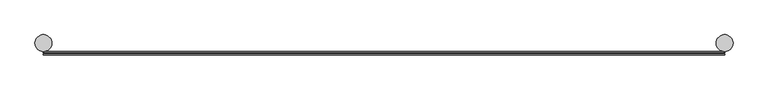
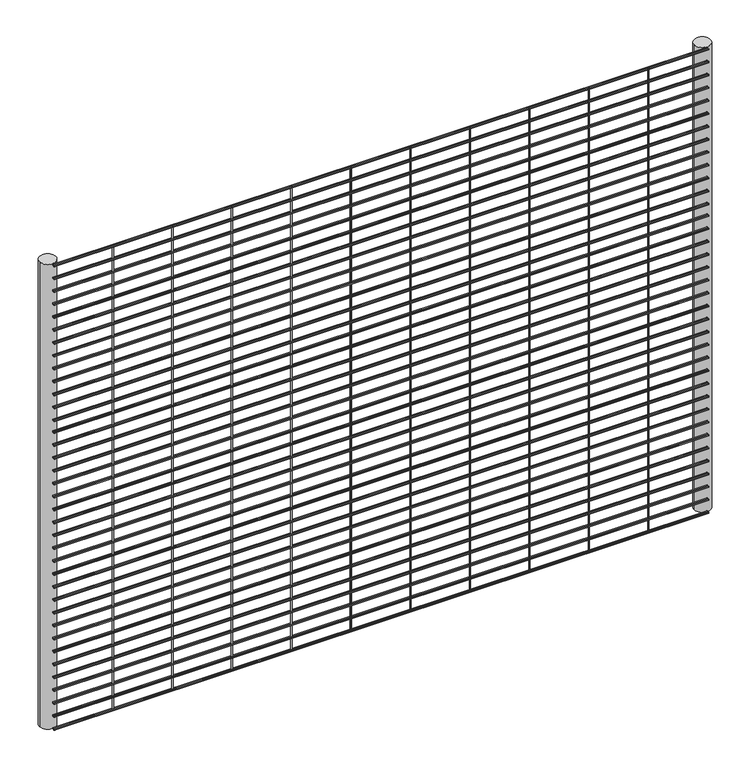
"""IFC4 building model written with IfcOpenShell, lengths in millimetres: railing geometry."""

import ifcopenshell
import ifcopenshell.guid

model = None  # the IFC model being written
_history = None  # IfcOwnerHistory: only IFC2X3 demands one
_inside = {}  # id of a spatial element -> (the spatial element, [elements in it])
_under = {}  # id of a project, library or spatial element -> (it, [spatial elements below it])
_declared = {}  # id of a project -> (the project, [libraries it declares])
_typed = {}  # id of a type object -> (the type object, [elements of that type])
_made_of = {}  # id of a material, layer set ... -> (it, [elements and type objects made of it])


def new_model(schema):
    """Start an empty IFC model of exactly this schema.

    Asked for "IFC4X3", IfcOpenShell would pick the latest addendum, in which some entities
    have other attributes; the version numbers below select the first issue.
    IFC2X3 requires an IfcOwnerHistory on every rooted entity: one is made here for all.
    """
    global model, _history
    if schema == "IFC4X3":
        model = ifcopenshell.file(schema_version=(4, 3, 0, 0))
    else:
        model = ifcopenshell.file(schema=schema)
    _inside.clear()
    _under.clear()
    _declared.clear()
    _typed.clear()
    _made_of.clear()
    _history = None
    if model.schema == "IFC2X3":
        org = make("IfcOrganization", Name="unknown")
        user = make(
            "IfcPersonAndOrganization",
            ThePerson=make("IfcPerson", FamilyName="unknown"),
            TheOrganization=org,
        )
        app = make(
            "IfcApplication",
            ApplicationDeveloper=org,
            Version="unknown",
            ApplicationFullName="unknown",
            ApplicationIdentifier="unknown",
        )
        _history = make(
            "IfcOwnerHistory",
            OwningUser=user,
            OwningApplication=app,
            ChangeAction="ADDED",
            CreationDate=0,
        )
    return model


def make(cls, **values):
    """One entity of the class cls with the attributes given. An attribute that is None is left unset."""
    return model.create_entity(
        cls, **{name: value for name, value in values.items() if value is not None}
    )


def rooted(cls, **values):
    """An entity with a GlobalId (a new one), such as an element, a storey or a relation."""
    return make(cls, GlobalId=ifcopenshell.guid.new(), OwnerHistory=_history, **values)


def si_unit(unit_type, name, prefix=None):
    """IfcSIUnit, for example si_unit("LENGTHUNIT", "METRE", prefix="MILLI")."""
    return make("IfcSIUnit", UnitType=unit_type, Prefix=prefix, Name=name)


def assignment(units):
    """IfcUnitAssignment: the units of a project."""
    return None if units is None else make("IfcUnitAssignment", Units=units)


def point(xyz):
    """IfcCartesianPoint."""
    return None if xyz is None else make("IfcCartesianPoint", Coordinates=xyz)


def direction(xyz):
    """IfcDirection."""
    return None if xyz is None else make("IfcDirection", DirectionRatios=xyz)


def frame(location, z_axis=None, x_axis=None):
    """IfcAxis2Placement3D, a coordinate frame: its origin and axes. An axis left out is left unset."""
    return make(
        "IfcAxis2Placement3D",
        Location=point(location),
        Axis=direction(z_axis),
        RefDirection=direction(x_axis),
    )


def frame_2d(location, x_axis=None):
    """IfcAxis2Placement2D, a coordinate frame in the plane: its origin and x axis."""
    return make(
        "IfcAxis2Placement2D", Location=point(location), RefDirection=direction(x_axis)
    )


def origin():
    """The frame at (0, 0, 0) with its axes left unset."""
    return frame((0.0, 0.0, 0.0))


def place(relative_to, where):
    """IfcLocalPlacement: puts the frame where relative to a parent placement (None: the world)."""
    return make(
        "IfcLocalPlacement", PlacementRelTo=relative_to, RelativePlacement=where
    )


def context(
    kind, dimensions, precision=None, world=None, true_north=None, identifier=None
):
    """IfcGeometricRepresentationContext, for example the 3D "Model" context."""
    return make(
        "IfcGeometricRepresentationContext",
        ContextIdentifier=identifier,
        ContextType=kind,
        CoordinateSpaceDimension=dimensions,
        Precision=precision,
        WorldCoordinateSystem=world,
        TrueNorth=true_north,
    )


def project(units=None, contexts=None):
    """IfcProject with its units and contexts."""
    return rooted(
        "IfcProject",
        Name="project",
        RepresentationContexts=contexts,
        UnitsInContext=assignment(units),
    )


def spatial(cls, under=None, at=None, **own):
    """A site, building, storey or space (cls), placed at a placement, below another one or the project."""
    s = rooted(cls, ObjectPlacement=at, **own)
    if under is not None:
        _under.setdefault(under.id(), (under, []))[1].append(s)
    return s


def circle_curve(where, radius):
    """IfcCircle in the frame where."""
    return make("IfcCircle", Position=where, Radius=radius)


def trimmed(basis, trim1, trim2, sense, master):
    """IfcTrimmedCurve: the piece of a basis curve between two trims."""
    return make(
        "IfcTrimmedCurve",
        BasisCurve=basis,
        Trim1=trim1,
        Trim2=trim2,
        SenseAgreement=sense,
        MasterRepresentation=master,
    )


def segment(curve, same_sense, transition):
    """IfcCompositeCurveSegment."""
    return make(
        "IfcCompositeCurveSegment",
        Transition=transition,
        SameSense=same_sense,
        ParentCurve=curve,
    )


def composite_curve(segments, self_intersect=None):
    """IfcCompositeCurve: segments joined end to end."""
    return make("IfcCompositeCurve", Segments=segments, SelfIntersect=self_intersect)


def outline(outer, holes=None, kind="AREA"):
    """IfcArbitraryClosedProfileDef: a profile drawn as a closed curve; with holes, ...WithVoids."""
    if holes is None:
        return make("IfcArbitraryClosedProfileDef", ProfileType=kind, OuterCurve=outer)
    return make(
        "IfcArbitraryProfileDefWithVoids",
        ProfileType=kind,
        OuterCurve=outer,
        InnerCurves=holes,
    )


def extrude(swept, where, along, depth):
    """IfcExtrudedAreaSolid: the profile swept, set in the frame where, extruded along a direction by depth."""
    return make(
        "IfcExtrudedAreaSolid",
        SweptArea=swept,
        Position=where,
        ExtrudedDirection=direction(along),
        Depth=depth,
    )


def shape(context_of_items, identifier, shape_type, items):
    """IfcShapeRepresentation: the items that make up one representation, for example the "Body"."""
    return make(
        "IfcShapeRepresentation",
        ContextOfItems=context_of_items,
        RepresentationIdentifier=identifier,
        RepresentationType=shape_type,
        Items=items,
    )


def source(mapping_origin, context_of_items, identifier, shape_type, items):
    """IfcRepresentationMap: a shape defined once, which mapped items show again and again."""
    return make(
        "IfcRepresentationMap",
        MappingOrigin=mapping_origin,
        MappedRepresentation=shape(context_of_items, identifier, shape_type, items),
    )


def transform(
    local_origin,
    x_axis=None,
    y_axis=None,
    z_axis=None,
    scale=None,
    scale2=None,
    scale3=None,
    uniform=True,
):
    """IfcCartesianTransformationOperator3D, or its non-uniform kind. x_axis, y_axis, z_axis: its Axis1, 2, 3."""
    if uniform:
        return make(
            "IfcCartesianTransformationOperator3D",
            Axis1=direction(x_axis),
            Axis2=direction(y_axis),
            LocalOrigin=point(local_origin),
            Scale=scale,
            Axis3=direction(z_axis),
        )
    return make(
        "IfcCartesianTransformationOperator3DnonUniform",
        Axis1=direction(x_axis),
        Axis2=direction(y_axis),
        LocalOrigin=point(local_origin),
        Scale=scale,
        Axis3=direction(z_axis),
        Scale2=scale2,
        Scale3=scale3,
    )


def mapped(mapping_source, mapping_target):
    """IfcMappedItem: shows the shape of a source again, moved by a transform."""
    return make(
        "IfcMappedItem", MappingSource=mapping_source, MappingTarget=mapping_target
    )


def made_of(thing, what):
    """Note that an element or type object is made of a material, layer set ...; save() writes the relation."""
    if what is not None:
        _made_of.setdefault(what.id(), (what, []))[1].append(thing)
    return thing


def element(
    cls,
    number,
    at=None,
    inside=None,
    cuts=None,
    type_object=None,
    material=None,
    context=None,
    identifier="Body",
    shape_type=None,
    held_by="IfcProductDefinitionShape",
    body=None,
    shapes=None,
    **own,
):
    """One element of the class cls, such as IfcWall. Its Tag is "e" and its number.

    at: its placement. inside: the storey or other place that contains it. cuts: it is an
    opening in that element (IfcRelVoidsElement). A single representation is given by context,
    identifier, shape_type and body (its items); several are given by shapes. held_by: the class
    of the entity that holds the representations. save() writes the other relations.
    """
    e = rooted(cls, Tag="e%d" % number, ObjectPlacement=at, **own)
    if body is not None:
        shapes = [shape(context, identifier, shape_type, body)]
    if shapes is not None:
        e.Representation = make(held_by, Representations=shapes)
    if inside is not None:
        _inside.setdefault(inside.id(), (inside, []))[1].append(e)
    if cuts is not None:
        rooted(
            "IfcRelVoidsElement", RelatingBuildingElement=cuts, RelatedOpeningElement=e
        )
    if type_object is not None:
        _typed.setdefault(type_object.id(), (type_object, []))[1].append(e)
    return made_of(e, material)


def aggregate(whole, parts):
    """IfcRelAggregates: a whole, such as a stair, and the parts it consists of."""
    return rooted("IfcRelAggregates", RelatingObject=whole, RelatedObjects=parts)


def save(model, path):
    """Write the relations noted so far, then the file.

    IfcRelAggregates (storeys below a building ...), IfcRelContainedInSpatialStructure (elements
    in a storey), IfcRelDefinesByType, IfcRelAssociatesMaterial and IfcRelDeclares: one each for
    every whole, place, type object, material and project.
    """
    for whole, parts in _under.values():
        aggregate(whole, parts)
    for where, things in _inside.values():
        rooted(
            "IfcRelContainedInSpatialStructure",
            RelatedElements=things,
            RelatingStructure=where,
        )
    for kind, things in _typed.values():
        rooted("IfcRelDefinesByType", RelatedObjects=things, RelatingType=kind)
    for what, things in _made_of.values():
        rooted("IfcRelAssociatesMaterial", RelatedObjects=things, RelatingMaterial=what)
    for by, libraries in _declared.values():
        rooted("IfcRelDeclares", RelatingContext=by, RelatedDefinitions=libraries)
    model.write(path)


def railing_45948265(model_context):
    return source(origin(), model_context, "Body", "SweptSolid", [
        extrude(outline(composite_curve([segment(trimmed(circle_curve(frame_2d((5969.595995, 9446.41875)), 2.0574), [point((5971.653395, 9446.41875))], [point((5967.538595, 9446.41875))], False, "CARTESIAN"), True, "CONTINUOUS"), segment(trimmed(circle_curve(frame_2d((5969.595995, 9446.41875)), 2.0574), [point((5967.538595, 9446.41875))], [point((5971.653395, 9446.41875))], False, "CARTESIAN"), True, "CONTINUOUS")], self_intersect=False)), frame((-5189.4581376, 0.0, 0.0), z_axis=(1.0, 0.0, 0.0), x_axis=(0.0, 1.0, 0.0)), (0.0, 0.0, 1.0), 2438.4),
        extrude(outline(composite_curve([segment(trimmed(circle_curve(frame_2d((5969.595995, 9395.61875)), 2.0574), [point((5971.653395, 9395.61875))], [point((5967.538595, 9395.61875))], False, "CARTESIAN"), True, "CONTINUOUS"), segment(trimmed(circle_curve(frame_2d((5969.595995, 9395.61875)), 2.0574), [point((5967.538595, 9395.61875))], [point((5971.653395, 9395.61875))], False, "CARTESIAN"), True, "CONTINUOUS")], self_intersect=False)), frame((-5189.4581376, 0.0, 0.0), z_axis=(1.0, 0.0, 0.0), x_axis=(0.0, 1.0, 0.0)), (0.0, 0.0, 1.0), 2438.4),
        extrude(outline(composite_curve([segment(trimmed(circle_curve(frame_2d((5969.595995, 9344.81875)), 2.0574), [point((5971.653395, 9344.81875))], [point((5967.538595, 9344.81875))], False, "CARTESIAN"), True, "CONTINUOUS"), segment(trimmed(circle_curve(frame_2d((5969.595995, 9344.81875)), 2.0574), [point((5967.538595, 9344.81875))], [point((5971.653395, 9344.81875))], False, "CARTESIAN"), True, "CONTINUOUS")], self_intersect=False)), frame((-5189.4581376, 0.0, 0.0), z_axis=(1.0, 0.0, 0.0), x_axis=(0.0, 1.0, 0.0)), (0.0, 0.0, 1.0), 2438.4),
        extrude(outline(composite_curve([segment(trimmed(circle_curve(frame_2d((5969.595995, 9294.01875)), 2.0574), [point((5971.653395, 9294.01875))], [point((5967.538595, 9294.01875))], False, "CARTESIAN"), True, "CONTINUOUS"), segment(trimmed(circle_curve(frame_2d((5969.595995, 9294.01875)), 2.0574), [point((5967.538595, 9294.01875))], [point((5971.653395, 9294.01875))], False, "CARTESIAN"), True, "CONTINUOUS")], self_intersect=False)), frame((-5189.4581376, 0.0, 0.0), z_axis=(1.0, 0.0, 0.0), x_axis=(0.0, 1.0, 0.0)), (0.0, 0.0, 1.0), 2438.4),
        extrude(outline(composite_curve([segment(trimmed(circle_curve(frame_2d((5969.595995, 9243.21875)), 2.0574), [point((5971.653395, 9243.21875))], [point((5967.538595, 9243.21875))], False, "CARTESIAN"), True, "CONTINUOUS"), segment(trimmed(circle_curve(frame_2d((5969.595995, 9243.21875)), 2.0574), [point((5967.538595, 9243.21875))], [point((5971.653395, 9243.21875))], False, "CARTESIAN"), True, "CONTINUOUS")], self_intersect=False)), frame((-5189.4581376, 0.0, 0.0), z_axis=(1.0, 0.0, 0.0), x_axis=(0.0, 1.0, 0.0)), (0.0, 0.0, 1.0), 2438.4),
        extrude(outline(composite_curve([segment(trimmed(circle_curve(frame_2d((5969.595995, 9192.41875)), 2.0574), [point((5971.653395, 9192.41875))], [point((5967.538595, 9192.41875))], False, "CARTESIAN"), True, "CONTINUOUS"), segment(trimmed(circle_curve(frame_2d((5969.595995, 9192.41875)), 2.0574), [point((5967.538595, 9192.41875))], [point((5971.653395, 9192.41875))], False, "CARTESIAN"), True, "CONTINUOUS")], self_intersect=False)), frame((-5189.4581376, 0.0, 0.0), z_axis=(1.0, 0.0, 0.0), x_axis=(0.0, 1.0, 0.0)), (0.0, 0.0, 1.0), 2438.4),
        extrude(outline(composite_curve([segment(trimmed(circle_curve(frame_2d((5969.595995, 9141.61875)), 2.0574), [point((5971.653395, 9141.61875))], [point((5967.538595, 9141.61875))], False, "CARTESIAN"), True, "CONTINUOUS"), segment(trimmed(circle_curve(frame_2d((5969.595995, 9141.61875)), 2.0574), [point((5967.538595, 9141.61875))], [point((5971.653395, 9141.61875))], False, "CARTESIAN"), True, "CONTINUOUS")], self_intersect=False)), frame((-5189.4581376, 0.0, 0.0), z_axis=(1.0, 0.0, 0.0), x_axis=(0.0, 1.0, 0.0)), (0.0, 0.0, 1.0), 2438.4),
        extrude(outline(composite_curve([segment(trimmed(circle_curve(frame_2d((5969.595995, 9090.81875)), 2.0574), [point((5971.653395, 9090.81875))], [point((5967.538595, 9090.81875))], False, "CARTESIAN"), True, "CONTINUOUS"), segment(trimmed(circle_curve(frame_2d((5969.595995, 9090.81875)), 2.0574), [point((5967.538595, 9090.81875))], [point((5971.653395, 9090.81875))], False, "CARTESIAN"), True, "CONTINUOUS")], self_intersect=False)), frame((-5189.4581376, 0.0, 0.0), z_axis=(1.0, 0.0, 0.0), x_axis=(0.0, 1.0, 0.0)), (0.0, 0.0, 1.0), 2438.4),
        extrude(outline(composite_curve([segment(trimmed(circle_curve(frame_2d((5969.595995, 9040.01875)), 2.0574), [point((5971.653395, 9040.01875))], [point((5967.538595, 9040.01875))], False, "CARTESIAN"), True, "CONTINUOUS"), segment(trimmed(circle_curve(frame_2d((5969.595995, 9040.01875)), 2.0574), [point((5967.538595, 9040.01875))], [point((5971.653395, 9040.01875))], False, "CARTESIAN"), True, "CONTINUOUS")], self_intersect=False)), frame((-5189.4581376, 0.0, 0.0), z_axis=(1.0, 0.0, 0.0), x_axis=(0.0, 1.0, 0.0)), (0.0, 0.0, 1.0), 2438.4),
        extrude(outline(composite_curve([segment(trimmed(circle_curve(frame_2d((5969.595995, 8989.21875)), 2.0574), [point((5971.653395, 8989.21875))], [point((5967.538595, 8989.21875))], False, "CARTESIAN"), True, "CONTINUOUS"), segment(trimmed(circle_curve(frame_2d((5969.595995, 8989.21875)), 2.0574), [point((5967.538595, 8989.21875))], [point((5971.653395, 8989.21875))], False, "CARTESIAN"), True, "CONTINUOUS")], self_intersect=False)), frame((-5189.4581376, 0.0, 0.0), z_axis=(1.0, 0.0, 0.0), x_axis=(0.0, 1.0, 0.0)), (0.0, 0.0, 1.0), 2438.4),
        extrude(outline(composite_curve([segment(trimmed(circle_curve(frame_2d((5969.595995, 8938.41875)), 2.0574), [point((5971.653395, 8938.41875))], [point((5967.538595, 8938.41875))], False, "CARTESIAN"), True, "CONTINUOUS"), segment(trimmed(circle_curve(frame_2d((5969.595995, 8938.41875)), 2.0574), [point((5967.538595, 8938.41875))], [point((5971.653395, 8938.41875))], False, "CARTESIAN"), True, "CONTINUOUS")], self_intersect=False)), frame((-5189.4581376, 0.0, 0.0), z_axis=(1.0, 0.0, 0.0), x_axis=(0.0, 1.0, 0.0)), (0.0, 0.0, 1.0), 2438.4),
        extrude(outline(composite_curve([segment(trimmed(circle_curve(frame_2d((5969.595995, 8887.61875)), 2.0574), [point((5971.653395, 8887.61875))], [point((5967.538595, 8887.61875))], False, "CARTESIAN"), True, "CONTINUOUS"), segment(trimmed(circle_curve(frame_2d((5969.595995, 8887.61875)), 2.0574), [point((5967.538595, 8887.61875))], [point((5971.653395, 8887.61875))], False, "CARTESIAN"), True, "CONTINUOUS")], self_intersect=False)), frame((-5189.4581376, 0.0, 0.0), z_axis=(1.0, 0.0, 0.0), x_axis=(0.0, 1.0, 0.0)), (0.0, 0.0, 1.0), 2438.4),
        extrude(outline(composite_curve([segment(trimmed(circle_curve(frame_2d((5969.595995, 8836.81875)), 2.0574), [point((5971.653395, 8836.81875))], [point((5967.538595, 8836.81875))], False, "CARTESIAN"), True, "CONTINUOUS"), segment(trimmed(circle_curve(frame_2d((5969.595995, 8836.81875)), 2.0574), [point((5967.538595, 8836.81875))], [point((5971.653395, 8836.81875))], False, "CARTESIAN"), True, "CONTINUOUS")], self_intersect=False)), frame((-5189.4581376, 0.0, 0.0), z_axis=(1.0, 0.0, 0.0), x_axis=(0.0, 1.0, 0.0)), (0.0, 0.0, 1.0), 2438.4),
        extrude(outline(composite_curve([segment(trimmed(circle_curve(frame_2d((5977.7319325, 9446.41875)), 2.0574), [point((5979.7893325, 9446.41875))], [point((5975.6745325, 9446.41875))], False, "CARTESIAN"), True, "CONTINUOUS"), segment(trimmed(circle_curve(frame_2d((5977.7319325, 9446.41875)), 2.0574), [point((5975.6745325, 9446.41875))], [point((5979.7893325, 9446.41875))], False, "CARTESIAN"), True, "CONTINUOUS")], self_intersect=False)), frame((-5189.4581376, 0.0, 0.0), z_axis=(1.0, 0.0, 0.0), x_axis=(0.0, 1.0, 0.0)), (0.0, 0.0, 1.0), 2438.4),
        extrude(outline(composite_curve([segment(trimmed(circle_curve(frame_2d((5977.7319325, 9395.61875)), 2.0574), [point((5979.7893325, 9395.61875))], [point((5975.6745325, 9395.61875))], False, "CARTESIAN"), True, "CONTINUOUS"), segment(trimmed(circle_curve(frame_2d((5977.7319325, 9395.61875)), 2.0574), [point((5975.6745325, 9395.61875))], [point((5979.7893325, 9395.61875))], False, "CARTESIAN"), True, "CONTINUOUS")], self_intersect=False)), frame((-5189.4581376, 0.0, 0.0), z_axis=(1.0, 0.0, 0.0), x_axis=(0.0, 1.0, 0.0)), (0.0, 0.0, 1.0), 2438.4),
        extrude(outline(composite_curve([segment(trimmed(circle_curve(frame_2d((5977.7319325, 9344.81875)), 2.0574), [point((5979.7893325, 9344.81875))], [point((5975.6745325, 9344.81875))], False, "CARTESIAN"), True, "CONTINUOUS"), segment(trimmed(circle_curve(frame_2d((5977.7319325, 9344.81875)), 2.0574), [point((5975.6745325, 9344.81875))], [point((5979.7893325, 9344.81875))], False, "CARTESIAN"), True, "CONTINUOUS")], self_intersect=False)), frame((-5189.4581376, 0.0, 0.0), z_axis=(1.0, 0.0, 0.0), x_axis=(0.0, 1.0, 0.0)), (0.0, 0.0, 1.0), 2438.4),
        extrude(outline(composite_curve([segment(trimmed(circle_curve(frame_2d((5977.7319325, 9294.01875)), 2.0574), [point((5979.7893325, 9294.01875))], [point((5975.6745325, 9294.01875))], False, "CARTESIAN"), True, "CONTINUOUS"), segment(trimmed(circle_curve(frame_2d((5977.7319325, 9294.01875)), 2.0574), [point((5975.6745325, 9294.01875))], [point((5979.7893325, 9294.01875))], False, "CARTESIAN"), True, "CONTINUOUS")], self_intersect=False)), frame((-5189.4581376, 0.0, 0.0), z_axis=(1.0, 0.0, 0.0), x_axis=(0.0, 1.0, 0.0)), (0.0, 0.0, 1.0), 2438.4),
        extrude(outline(composite_curve([segment(trimmed(circle_curve(frame_2d((5977.7319325, 9243.21875)), 2.0574), [point((5979.7893325, 9243.21875))], [point((5975.6745325, 9243.21875))], False, "CARTESIAN"), True, "CONTINUOUS"), segment(trimmed(circle_curve(frame_2d((5977.7319325, 9243.21875)), 2.0574), [point((5975.6745325, 9243.21875))], [point((5979.7893325, 9243.21875))], False, "CARTESIAN"), True, "CONTINUOUS")], self_intersect=False)), frame((-5189.4581376, 0.0, 0.0), z_axis=(1.0, 0.0, 0.0), x_axis=(0.0, 1.0, 0.0)), (0.0, 0.0, 1.0), 2438.4),
        extrude(outline(composite_curve([segment(trimmed(circle_curve(frame_2d((5977.7319325, 9192.41875)), 2.0574), [point((5979.7893325, 9192.41875))], [point((5975.6745325, 9192.41875))], False, "CARTESIAN"), True, "CONTINUOUS"), segment(trimmed(circle_curve(frame_2d((5977.7319325, 9192.41875)), 2.0574), [point((5975.6745325, 9192.41875))], [point((5979.7893325, 9192.41875))], False, "CARTESIAN"), True, "CONTINUOUS")], self_intersect=False)), frame((-5189.4581376, 0.0, 0.0), z_axis=(1.0, 0.0, 0.0), x_axis=(0.0, 1.0, 0.0)), (0.0, 0.0, 1.0), 2438.4),
        extrude(outline(composite_curve([segment(trimmed(circle_curve(frame_2d((5977.7319325, 9141.61875)), 2.0574), [point((5979.7893325, 9141.61875))], [point((5975.6745325, 9141.61875))], False, "CARTESIAN"), True, "CONTINUOUS"), segment(trimmed(circle_curve(frame_2d((5977.7319325, 9141.61875)), 2.0574), [point((5975.6745325, 9141.61875))], [point((5979.7893325, 9141.61875))], False, "CARTESIAN"), True, "CONTINUOUS")], self_intersect=False)), frame((-5189.4581376, 0.0, 0.0), z_axis=(1.0, 0.0, 0.0), x_axis=(0.0, 1.0, 0.0)), (0.0, 0.0, 1.0), 2438.4),
        extrude(outline(composite_curve([segment(trimmed(circle_curve(frame_2d((5977.7319325, 9090.81875)), 2.0574), [point((5979.7893325, 9090.81875))], [point((5975.6745325, 9090.81875))], False, "CARTESIAN"), True, "CONTINUOUS"), segment(trimmed(circle_curve(frame_2d((5977.7319325, 9090.81875)), 2.0574), [point((5975.6745325, 9090.81875))], [point((5979.7893325, 9090.81875))], False, "CARTESIAN"), True, "CONTINUOUS")], self_intersect=False)), frame((-5189.4581376, 0.0, 0.0), z_axis=(1.0, 0.0, 0.0), x_axis=(0.0, 1.0, 0.0)), (0.0, 0.0, 1.0), 2438.4),
        extrude(outline(composite_curve([segment(trimmed(circle_curve(frame_2d((5977.7319325, 9040.01875)), 2.0574), [point((5979.7893325, 9040.01875))], [point((5975.6745325, 9040.01875))], False, "CARTESIAN"), True, "CONTINUOUS"), segment(trimmed(circle_curve(frame_2d((5977.7319325, 9040.01875)), 2.0574), [point((5975.6745325, 9040.01875))], [point((5979.7893325, 9040.01875))], False, "CARTESIAN"), True, "CONTINUOUS")], self_intersect=False)), frame((-5189.4581376, 0.0, 0.0), z_axis=(1.0, 0.0, 0.0), x_axis=(0.0, 1.0, 0.0)), (0.0, 0.0, 1.0), 2438.4),
        extrude(outline(composite_curve([segment(trimmed(circle_curve(frame_2d((5977.7319325, 8989.21875)), 2.0574), [point((5979.7893325, 8989.21875))], [point((5975.6745325, 8989.21875))], False, "CARTESIAN"), True, "CONTINUOUS"), segment(trimmed(circle_curve(frame_2d((5977.7319325, 8989.21875)), 2.0574), [point((5975.6745325, 8989.21875))], [point((5979.7893325, 8989.21875))], False, "CARTESIAN"), True, "CONTINUOUS")], self_intersect=False)), frame((-5189.4581376, 0.0, 0.0), z_axis=(1.0, 0.0, 0.0), x_axis=(0.0, 1.0, 0.0)), (0.0, 0.0, 1.0), 2438.4),
        extrude(outline(composite_curve([segment(trimmed(circle_curve(frame_2d((5977.7319325, 8938.41875)), 2.0574), [point((5979.7893325, 8938.41875))], [point((5975.6745325, 8938.41875))], False, "CARTESIAN"), True, "CONTINUOUS"), segment(trimmed(circle_curve(frame_2d((5977.7319325, 8938.41875)), 2.0574), [point((5975.6745325, 8938.41875))], [point((5979.7893325, 8938.41875))], False, "CARTESIAN"), True, "CONTINUOUS")], self_intersect=False)), frame((-5189.4581376, 0.0, 0.0), z_axis=(1.0, 0.0, 0.0), x_axis=(0.0, 1.0, 0.0)), (0.0, 0.0, 1.0), 2438.4),
        extrude(outline(composite_curve([segment(trimmed(circle_curve(frame_2d((5977.7319325, 8887.61875)), 2.0574), [point((5979.7893325, 8887.61875))], [point((5975.6745325, 8887.61875))], False, "CARTESIAN"), True, "CONTINUOUS"), segment(trimmed(circle_curve(frame_2d((5977.7319325, 8887.61875)), 2.0574), [point((5975.6745325, 8887.61875))], [point((5979.7893325, 8887.61875))], False, "CARTESIAN"), True, "CONTINUOUS")], self_intersect=False)), frame((-5189.4581376, 0.0, 0.0), z_axis=(1.0, 0.0, 0.0), x_axis=(0.0, 1.0, 0.0)), (0.0, 0.0, 1.0), 2438.4),
        extrude(outline(composite_curve([segment(trimmed(circle_curve(frame_2d((5977.7319325, 8836.81875)), 2.0574), [point((5979.7893325, 8836.81875))], [point((5975.6745325, 8836.81875))], False, "CARTESIAN"), True, "CONTINUOUS"), segment(trimmed(circle_curve(frame_2d((5977.7319325, 8836.81875)), 2.0574), [point((5975.6745325, 8836.81875))], [point((5979.7893325, 8836.81875))], False, "CARTESIAN"), True, "CONTINUOUS")], self_intersect=False)), frame((-5189.4581376, 0.0, 0.0), z_axis=(1.0, 0.0, 0.0), x_axis=(0.0, 1.0, 0.0)), (0.0, 0.0, 1.0), 2438.4),
        extrude(outline(composite_curve([segment(trimmed(circle_curve(frame_2d((5969.595995, 8790.4835937)), 2.0574), [point((5971.653395, 8790.4835937))], [point((5967.538595, 8790.4835937))], False, "CARTESIAN"), True, "CONTINUOUS"), segment(trimmed(circle_curve(frame_2d((5969.595995, 8790.4835937)), 2.0574), [point((5967.538595, 8790.4835937))], [point((5971.653395, 8790.4835937))], False, "CARTESIAN"), True, "CONTINUOUS")], self_intersect=False)), frame((-5189.4581376, 0.0, 0.0), z_axis=(1.0, 0.0, 0.0), x_axis=(0.0, 1.0, 0.0)), (0.0, 0.0, 1.0), 2438.4),
        extrude(outline(composite_curve([segment(trimmed(circle_curve(frame_2d((5977.7319325, 8790.4835937)), 2.0574), [point((5979.7893325, 8790.4835937))], [point((5975.6745325, 8790.4835937))], False, "CARTESIAN"), True, "CONTINUOUS"), segment(trimmed(circle_curve(frame_2d((5977.7319325, 8790.4835937)), 2.0574), [point((5975.6745325, 8790.4835937))], [point((5979.7893325, 8790.4835937))], False, "CARTESIAN"), True, "CONTINUOUS")], self_intersect=False)), frame((-5189.4581376, 0.0, 0.0), z_axis=(1.0, 0.0, 0.0), x_axis=(0.0, 1.0, 0.0)), (0.0, 0.0, 1.0), 2438.4),
        extrude(outline(composite_curve([segment(trimmed(circle_curve(frame_2d((5969.595995, 8739.6835937)), 2.0574), [point((5971.653395, 8739.6835937))], [point((5967.538595, 8739.6835937))], False, "CARTESIAN"), True, "CONTINUOUS"), segment(trimmed(circle_curve(frame_2d((5969.595995, 8739.6835937)), 2.0574), [point((5967.538595, 8739.6835937))], [point((5971.653395, 8739.6835937))], False, "CARTESIAN"), True, "CONTINUOUS")], self_intersect=False)), frame((-5189.4581376, 0.0, 0.0), z_axis=(1.0, 0.0, 0.0), x_axis=(0.0, 1.0, 0.0)), (0.0, 0.0, 1.0), 2438.4),
        extrude(outline(composite_curve([segment(trimmed(circle_curve(frame_2d((5977.7319325, 8739.6835937)), 2.0574), [point((5979.7893325, 8739.6835937))], [point((5975.6745325, 8739.6835937))], False, "CARTESIAN"), True, "CONTINUOUS"), segment(trimmed(circle_curve(frame_2d((5977.7319325, 8739.6835937)), 2.0574), [point((5975.6745325, 8739.6835937))], [point((5979.7893325, 8739.6835937))], False, "CARTESIAN"), True, "CONTINUOUS")], self_intersect=False)), frame((-5189.4581376, 0.0, 0.0), z_axis=(1.0, 0.0, 0.0), x_axis=(0.0, 1.0, 0.0)), (0.0, 0.0, 1.0), 2438.4),
        extrude(outline(composite_curve([segment(trimmed(circle_curve(frame_2d((5969.595995, 8688.8835937)), 2.0574), [point((5971.653395, 8688.8835937))], [point((5967.538595, 8688.8835937))], False, "CARTESIAN"), True, "CONTINUOUS"), segment(trimmed(circle_curve(frame_2d((5969.595995, 8688.8835937)), 2.0574), [point((5967.538595, 8688.8835937))], [point((5971.653395, 8688.8835937))], False, "CARTESIAN"), True, "CONTINUOUS")], self_intersect=False)), frame((-5189.4581376, 0.0, 0.0), z_axis=(1.0, 0.0, 0.0), x_axis=(0.0, 1.0, 0.0)), (0.0, 0.0, 1.0), 2438.4),
        extrude(outline(composite_curve([segment(trimmed(circle_curve(frame_2d((5977.7319325, 8688.8835937)), 2.0574), [point((5979.7893325, 8688.8835937))], [point((5975.6745325, 8688.8835937))], False, "CARTESIAN"), True, "CONTINUOUS"), segment(trimmed(circle_curve(frame_2d((5977.7319325, 8688.8835937)), 2.0574), [point((5975.6745325, 8688.8835937))], [point((5979.7893325, 8688.8835937))], False, "CARTESIAN"), True, "CONTINUOUS")], self_intersect=False)), frame((-5189.4581376, 0.0, 0.0), z_axis=(1.0, 0.0, 0.0), x_axis=(0.0, 1.0, 0.0)), (0.0, 0.0, 1.0), 2438.4),
        extrude(outline(composite_curve([segment(trimmed(circle_curve(frame_2d((5969.595995, 8638.0835937)), 2.0574), [point((5971.653395, 8638.0835937))], [point((5967.538595, 8638.0835937))], False, "CARTESIAN"), True, "CONTINUOUS"), segment(trimmed(circle_curve(frame_2d((5969.595995, 8638.0835937)), 2.0574), [point((5967.538595, 8638.0835937))], [point((5971.653395, 8638.0835937))], False, "CARTESIAN"), True, "CONTINUOUS")], self_intersect=False)), frame((-5189.4581376, 0.0, 0.0), z_axis=(1.0, 0.0, 0.0), x_axis=(0.0, 1.0, 0.0)), (0.0, 0.0, 1.0), 2438.4),
        extrude(outline(composite_curve([segment(trimmed(circle_curve(frame_2d((5977.7319325, 8638.0835937)), 2.0574), [point((5979.7893325, 8638.0835937))], [point((5975.6745325, 8638.0835937))], False, "CARTESIAN"), True, "CONTINUOUS"), segment(trimmed(circle_curve(frame_2d((5977.7319325, 8638.0835937)), 2.0574), [point((5975.6745325, 8638.0835937))], [point((5979.7893325, 8638.0835937))], False, "CARTESIAN"), True, "CONTINUOUS")], self_intersect=False)), frame((-5189.4581376, 0.0, 0.0), z_axis=(1.0, 0.0, 0.0), x_axis=(0.0, 1.0, 0.0)), (0.0, 0.0, 1.0), 2438.4),
        extrude(outline(composite_curve([segment(trimmed(circle_curve(frame_2d((5969.595995, 8587.2835937)), 2.0574), [point((5971.653395, 8587.2835937))], [point((5967.538595, 8587.2835937))], False, "CARTESIAN"), True, "CONTINUOUS"), segment(trimmed(circle_curve(frame_2d((5969.595995, 8587.2835937)), 2.0574), [point((5967.538595, 8587.2835937))], [point((5971.653395, 8587.2835937))], False, "CARTESIAN"), True, "CONTINUOUS")], self_intersect=False)), frame((-5189.4581376, 0.0, 0.0), z_axis=(1.0, 0.0, 0.0), x_axis=(0.0, 1.0, 0.0)), (0.0, 0.0, 1.0), 2438.4),
        extrude(outline(composite_curve([segment(trimmed(circle_curve(frame_2d((5977.7319325, 8587.2835937)), 2.0574), [point((5979.7893325, 8587.2835937))], [point((5975.6745325, 8587.2835937))], False, "CARTESIAN"), True, "CONTINUOUS"), segment(trimmed(circle_curve(frame_2d((5977.7319325, 8587.2835937)), 2.0574), [point((5975.6745325, 8587.2835937))], [point((5979.7893325, 8587.2835937))], False, "CARTESIAN"), True, "CONTINUOUS")], self_intersect=False)), frame((-5189.4581376, 0.0, 0.0), z_axis=(1.0, 0.0, 0.0), x_axis=(0.0, 1.0, 0.0)), (0.0, 0.0, 1.0), 2438.4),
        extrude(outline(composite_curve([segment(trimmed(circle_curve(frame_2d((5969.595995, 8536.4835937)), 2.0574), [point((5971.653395, 8536.4835937))], [point((5967.538595, 8536.4835937))], False, "CARTESIAN"), True, "CONTINUOUS"), segment(trimmed(circle_curve(frame_2d((5969.595995, 8536.4835937)), 2.0574), [point((5967.538595, 8536.4835937))], [point((5971.653395, 8536.4835937))], False, "CARTESIAN"), True, "CONTINUOUS")], self_intersect=False)), frame((-5189.4581376, 0.0, 0.0), z_axis=(1.0, 0.0, 0.0), x_axis=(0.0, 1.0, 0.0)), (0.0, 0.0, 1.0), 2438.4),
        extrude(outline(composite_curve([segment(trimmed(circle_curve(frame_2d((5977.7319325, 8536.4835937)), 2.0574), [point((5979.7893325, 8536.4835937))], [point((5975.6745325, 8536.4835937))], False, "CARTESIAN"), True, "CONTINUOUS"), segment(trimmed(circle_curve(frame_2d((5977.7319325, 8536.4835937)), 2.0574), [point((5975.6745325, 8536.4835937))], [point((5979.7893325, 8536.4835937))], False, "CARTESIAN"), True, "CONTINUOUS")], self_intersect=False)), frame((-5189.4581376, 0.0, 0.0), z_axis=(1.0, 0.0, 0.0), x_axis=(0.0, 1.0, 0.0)), (0.0, 0.0, 1.0), 2438.4),
        extrude(outline(composite_curve([segment(trimmed(circle_curve(frame_2d((5969.595995, 8485.6835937)), 2.0574), [point((5971.653395, 8485.6835937))], [point((5967.538595, 8485.6835937))], False, "CARTESIAN"), True, "CONTINUOUS"), segment(trimmed(circle_curve(frame_2d((5969.595995, 8485.6835937)), 2.0574), [point((5967.538595, 8485.6835937))], [point((5971.653395, 8485.6835937))], False, "CARTESIAN"), True, "CONTINUOUS")], self_intersect=False)), frame((-5189.4581376, 0.0, 0.0), z_axis=(1.0, 0.0, 0.0), x_axis=(0.0, 1.0, 0.0)), (0.0, 0.0, 1.0), 2438.4),
        extrude(outline(composite_curve([segment(trimmed(circle_curve(frame_2d((5977.7319325, 8485.6835937)), 2.0574), [point((5979.7893325, 8485.6835937))], [point((5975.6745325, 8485.6835937))], False, "CARTESIAN"), True, "CONTINUOUS"), segment(trimmed(circle_curve(frame_2d((5977.7319325, 8485.6835937)), 2.0574), [point((5975.6745325, 8485.6835937))], [point((5979.7893325, 8485.6835937))], False, "CARTESIAN"), True, "CONTINUOUS")], self_intersect=False)), frame((-5189.4581376, 0.0, 0.0), z_axis=(1.0, 0.0, 0.0), x_axis=(0.0, 1.0, 0.0)), (0.0, 0.0, 1.0), 2438.4),
        extrude(outline(composite_curve([segment(trimmed(circle_curve(frame_2d((5969.595995, 8434.8835937)), 2.0574), [point((5971.653395, 8434.8835937))], [point((5967.538595, 8434.8835937))], False, "CARTESIAN"), True, "CONTINUOUS"), segment(trimmed(circle_curve(frame_2d((5969.595995, 8434.8835937)), 2.0574), [point((5967.538595, 8434.8835937))], [point((5971.653395, 8434.8835937))], False, "CARTESIAN"), True, "CONTINUOUS")], self_intersect=False)), frame((-5189.4581376, 0.0, 0.0), z_axis=(1.0, 0.0, 0.0), x_axis=(0.0, 1.0, 0.0)), (0.0, 0.0, 1.0), 2438.4),
        extrude(outline(composite_curve([segment(trimmed(circle_curve(frame_2d((5977.7319325, 8434.8835937)), 2.0574), [point((5979.7893325, 8434.8835937))], [point((5975.6745325, 8434.8835937))], False, "CARTESIAN"), True, "CONTINUOUS"), segment(trimmed(circle_curve(frame_2d((5977.7319325, 8434.8835937)), 2.0574), [point((5975.6745325, 8434.8835937))], [point((5979.7893325, 8434.8835937))], False, "CARTESIAN"), True, "CONTINUOUS")], self_intersect=False)), frame((-5189.4581376, 0.0, 0.0), z_axis=(1.0, 0.0, 0.0), x_axis=(0.0, 1.0, 0.0)), (0.0, 0.0, 1.0), 2438.4),
        extrude(outline(composite_curve([segment(trimmed(circle_curve(frame_2d((5969.595995, 8384.0835937)), 2.0574), [point((5971.653395, 8384.0835937))], [point((5967.538595, 8384.0835937))], False, "CARTESIAN"), True, "CONTINUOUS"), segment(trimmed(circle_curve(frame_2d((5969.595995, 8384.0835937)), 2.0574), [point((5967.538595, 8384.0835937))], [point((5971.653395, 8384.0835937))], False, "CARTESIAN"), True, "CONTINUOUS")], self_intersect=False)), frame((-5189.4581376, 0.0, 0.0), z_axis=(1.0, 0.0, 0.0), x_axis=(0.0, 1.0, 0.0)), (0.0, 0.0, 1.0), 2438.4),
        extrude(outline(composite_curve([segment(trimmed(circle_curve(frame_2d((5977.7319325, 8384.0835937)), 2.0574), [point((5979.7893325, 8384.0835937))], [point((5975.6745325, 8384.0835937))], False, "CARTESIAN"), True, "CONTINUOUS"), segment(trimmed(circle_curve(frame_2d((5977.7319325, 8384.0835937)), 2.0574), [point((5975.6745325, 8384.0835937))], [point((5979.7893325, 8384.0835937))], False, "CARTESIAN"), True, "CONTINUOUS")], self_intersect=False)), frame((-5189.4581376, 0.0, 0.0), z_axis=(1.0, 0.0, 0.0), x_axis=(0.0, 1.0, 0.0)), (0.0, 0.0, 1.0), 2438.4),
        extrude(outline(composite_curve([segment(trimmed(circle_curve(frame_2d((5969.595995, 8333.2835937)), 2.0574), [point((5971.653395, 8333.2835937))], [point((5967.538595, 8333.2835937))], False, "CARTESIAN"), True, "CONTINUOUS"), segment(trimmed(circle_curve(frame_2d((5969.595995, 8333.2835937)), 2.0574), [point((5967.538595, 8333.2835937))], [point((5971.653395, 8333.2835937))], False, "CARTESIAN"), True, "CONTINUOUS")], self_intersect=False)), frame((-5189.4581376, 0.0, 0.0), z_axis=(1.0, 0.0, 0.0), x_axis=(0.0, 1.0, 0.0)), (0.0, 0.0, 1.0), 2438.4),
        extrude(outline(composite_curve([segment(trimmed(circle_curve(frame_2d((5977.7319325, 8333.2835937)), 2.0574), [point((5979.7893325, 8333.2835937))], [point((5975.6745325, 8333.2835937))], False, "CARTESIAN"), True, "CONTINUOUS"), segment(trimmed(circle_curve(frame_2d((5977.7319325, 8333.2835937)), 2.0574), [point((5975.6745325, 8333.2835937))], [point((5979.7893325, 8333.2835937))], False, "CARTESIAN"), True, "CONTINUOUS")], self_intersect=False)), frame((-5189.4581376, 0.0, 0.0), z_axis=(1.0, 0.0, 0.0), x_axis=(0.0, 1.0, 0.0)), (0.0, 0.0, 1.0), 2438.4),
        extrude(outline(composite_curve([segment(trimmed(circle_curve(frame_2d((5969.595995, 8282.4835937)), 2.0574), [point((5971.653395, 8282.4835937))], [point((5967.538595, 8282.4835937))], False, "CARTESIAN"), True, "CONTINUOUS"), segment(trimmed(circle_curve(frame_2d((5969.595995, 8282.4835937)), 2.0574), [point((5967.538595, 8282.4835937))], [point((5971.653395, 8282.4835937))], False, "CARTESIAN"), True, "CONTINUOUS")], self_intersect=False)), frame((-5189.4581376, 0.0, 0.0), z_axis=(1.0, 0.0, 0.0), x_axis=(0.0, 1.0, 0.0)), (0.0, 0.0, 1.0), 2438.4),
        extrude(outline(composite_curve([segment(trimmed(circle_curve(frame_2d((5977.7319325, 8282.4835937)), 2.0574), [point((5979.7893325, 8282.4835937))], [point((5975.6745325, 8282.4835937))], False, "CARTESIAN"), True, "CONTINUOUS"), segment(trimmed(circle_curve(frame_2d((5977.7319325, 8282.4835937)), 2.0574), [point((5975.6745325, 8282.4835937))], [point((5979.7893325, 8282.4835937))], False, "CARTESIAN"), True, "CONTINUOUS")], self_intersect=False)), frame((-5189.4581376, 0.0, 0.0), z_axis=(1.0, 0.0, 0.0), x_axis=(0.0, 1.0, 0.0)), (0.0, 0.0, 1.0), 2438.4),
        extrude(outline(composite_curve([segment(trimmed(circle_curve(frame_2d((5969.595995, 8231.6835937)), 2.0574), [point((5971.653395, 8231.6835937))], [point((5967.538595, 8231.6835937))], False, "CARTESIAN"), True, "CONTINUOUS"), segment(trimmed(circle_curve(frame_2d((5969.595995, 8231.6835937)), 2.0574), [point((5967.538595, 8231.6835937))], [point((5971.653395, 8231.6835937))], False, "CARTESIAN"), True, "CONTINUOUS")], self_intersect=False)), frame((-5189.4581376, 0.0, 0.0), z_axis=(1.0, 0.0, 0.0), x_axis=(0.0, 1.0, 0.0)), (0.0, 0.0, 1.0), 2438.4),
        extrude(outline(composite_curve([segment(trimmed(circle_curve(frame_2d((5977.7319325, 8231.6835937)), 2.0574), [point((5979.7893325, 8231.6835937))], [point((5975.6745325, 8231.6835937))], False, "CARTESIAN"), True, "CONTINUOUS"), segment(trimmed(circle_curve(frame_2d((5977.7319325, 8231.6835937)), 2.0574), [point((5975.6745325, 8231.6835937))], [point((5979.7893325, 8231.6835937))], False, "CARTESIAN"), True, "CONTINUOUS")], self_intersect=False)), frame((-5189.4581376, 0.0, 0.0), z_axis=(1.0, 0.0, 0.0), x_axis=(0.0, 1.0, 0.0)), (0.0, 0.0, 1.0), 2438.4),
        extrude(outline(composite_curve([segment(trimmed(circle_curve(frame_2d((5969.595995, 8180.8835937)), 2.0574), [point((5971.653395, 8180.8835937))], [point((5967.538595, 8180.8835937))], False, "CARTESIAN"), True, "CONTINUOUS"), segment(trimmed(circle_curve(frame_2d((5969.595995, 8180.8835937)), 2.0574), [point((5967.538595, 8180.8835937))], [point((5971.653395, 8180.8835937))], False, "CARTESIAN"), True, "CONTINUOUS")], self_intersect=False)), frame((-5189.4581376, 0.0, 0.0), z_axis=(1.0, 0.0, 0.0), x_axis=(0.0, 1.0, 0.0)), (0.0, 0.0, 1.0), 2438.4),
        extrude(outline(composite_curve([segment(trimmed(circle_curve(frame_2d((5977.7319325, 8180.8835937)), 2.0574), [point((5979.7893325, 8180.8835937))], [point((5975.6745325, 8180.8835937))], False, "CARTESIAN"), True, "CONTINUOUS"), segment(trimmed(circle_curve(frame_2d((5977.7319325, 8180.8835937)), 2.0574), [point((5975.6745325, 8180.8835937))], [point((5979.7893325, 8180.8835937))], False, "CARTESIAN"), True, "CONTINUOUS")], self_intersect=False)), frame((-5189.4581376, 0.0, 0.0), z_axis=(1.0, 0.0, 0.0), x_axis=(0.0, 1.0, 0.0)), (0.0, 0.0, 1.0), 2438.4),
        extrude(outline(composite_curve([segment(trimmed(circle_curve(frame_2d((5969.595995, 8130.0835937)), 2.0574), [point((5971.653395, 8130.0835937))], [point((5967.538595, 8130.0835937))], False, "CARTESIAN"), True, "CONTINUOUS"), segment(trimmed(circle_curve(frame_2d((5969.595995, 8130.0835937)), 2.0574), [point((5967.538595, 8130.0835937))], [point((5971.653395, 8130.0835937))], False, "CARTESIAN"), True, "CONTINUOUS")], self_intersect=False)), frame((-5189.4581376, 0.0, 0.0), z_axis=(1.0, 0.0, 0.0), x_axis=(0.0, 1.0, 0.0)), (0.0, 0.0, 1.0), 2438.4),
        extrude(outline(composite_curve([segment(trimmed(circle_curve(frame_2d((5977.7319325, 8130.0835937)), 2.0574), [point((5979.7893325, 8130.0835937))], [point((5975.6745325, 8130.0835937))], False, "CARTESIAN"), True, "CONTINUOUS"), segment(trimmed(circle_curve(frame_2d((5977.7319325, 8130.0835937)), 2.0574), [point((5975.6745325, 8130.0835937))], [point((5979.7893325, 8130.0835937))], False, "CARTESIAN"), True, "CONTINUOUS")], self_intersect=False)), frame((-5189.4581376, 0.0, 0.0), z_axis=(1.0, 0.0, 0.0), x_axis=(0.0, 1.0, 0.0)), (0.0, 0.0, 1.0), 2438.4),
        extrude(outline(composite_curve([segment(trimmed(circle_curve(frame_2d((5969.595995, 8079.2835937)), 2.0574), [point((5971.653395, 8079.2835937))], [point((5967.538595, 8079.2835937))], False, "CARTESIAN"), True, "CONTINUOUS"), segment(trimmed(circle_curve(frame_2d((5969.595995, 8079.2835937)), 2.0574), [point((5967.538595, 8079.2835937))], [point((5971.653395, 8079.2835937))], False, "CARTESIAN"), True, "CONTINUOUS")], self_intersect=False)), frame((-5189.4581376, 0.0, 0.0), z_axis=(1.0, 0.0, 0.0), x_axis=(0.0, 1.0, 0.0)), (0.0, 0.0, 1.0), 2438.4),
        extrude(outline(composite_curve([segment(trimmed(circle_curve(frame_2d((5977.7319325, 8079.2835937)), 2.0574), [point((5979.7893325, 8079.2835937))], [point((5975.6745325, 8079.2835937))], False, "CARTESIAN"), True, "CONTINUOUS"), segment(trimmed(circle_curve(frame_2d((5977.7319325, 8079.2835937)), 2.0574), [point((5975.6745325, 8079.2835937))], [point((5979.7893325, 8079.2835937))], False, "CARTESIAN"), True, "CONTINUOUS")], self_intersect=False)), frame((-5189.4581376, 0.0, 0.0), z_axis=(1.0, 0.0, 0.0), x_axis=(0.0, 1.0, 0.0)), (0.0, 0.0, 1.0), 2438.4),
        extrude(outline(composite_curve([segment(trimmed(circle_curve(frame_2d((5969.595995, 8028.4835937)), 2.0574), [point((5971.653395, 8028.4835937))], [point((5967.538595, 8028.4835937))], False, "CARTESIAN"), True, "CONTINUOUS"), segment(trimmed(circle_curve(frame_2d((5969.595995, 8028.4835937)), 2.0574), [point((5967.538595, 8028.4835937))], [point((5971.653395, 8028.4835937))], False, "CARTESIAN"), True, "CONTINUOUS")], self_intersect=False)), frame((-5189.4581376, 0.0, 0.0), z_axis=(1.0, 0.0, 0.0), x_axis=(0.0, 1.0, 0.0)), (0.0, 0.0, 1.0), 2438.4),
        extrude(outline(composite_curve([segment(trimmed(circle_curve(frame_2d((5977.7319325, 8028.4835937)), 2.0574), [point((5979.7893325, 8028.4835937))], [point((5975.6745325, 8028.4835937))], False, "CARTESIAN"), True, "CONTINUOUS"), segment(trimmed(circle_curve(frame_2d((5977.7319325, 8028.4835937)), 2.0574), [point((5975.6745325, 8028.4835937))], [point((5979.7893325, 8028.4835937))], False, "CARTESIAN"), True, "CONTINUOUS")], self_intersect=False)), frame((-5189.4581376, 0.0, 0.0), z_axis=(1.0, 0.0, 0.0), x_axis=(0.0, 1.0, 0.0)), (0.0, 0.0, 1.0), 2438.4),
        extrude(outline(composite_curve([segment(trimmed(circle_curve(frame_2d((5969.595995, 7977.6835937)), 2.0574), [point((5971.653395, 7977.6835937))], [point((5967.538595, 7977.6835937))], False, "CARTESIAN"), True, "CONTINUOUS"), segment(trimmed(circle_curve(frame_2d((5969.595995, 7977.6835937)), 2.0574), [point((5967.538595, 7977.6835937))], [point((5971.653395, 7977.6835937))], False, "CARTESIAN"), True, "CONTINUOUS")], self_intersect=False)), frame((-5189.4581376, 0.0, 0.0), z_axis=(1.0, 0.0, 0.0), x_axis=(0.0, 1.0, 0.0)), (0.0, 0.0, 1.0), 2438.4),
        extrude(outline(composite_curve([segment(trimmed(circle_curve(frame_2d((5977.7319325, 7977.6835937)), 2.0574), [point((5979.7893325, 7977.6835937))], [point((5975.6745325, 7977.6835937))], False, "CARTESIAN"), True, "CONTINUOUS"), segment(trimmed(circle_curve(frame_2d((5977.7319325, 7977.6835937)), 2.0574), [point((5975.6745325, 7977.6835937))], [point((5979.7893325, 7977.6835937))], False, "CARTESIAN"), True, "CONTINUOUS")], self_intersect=False)), frame((-5189.4581376, 0.0, 0.0), z_axis=(1.0, 0.0, 0.0), x_axis=(0.0, 1.0, 0.0)), (0.0, 0.0, 1.0), 2438.4),
        extrude(outline(composite_curve([segment(trimmed(circle_curve(frame_2d((5969.595995, 7926.8835937)), 2.0574), [point((5971.653395, 7926.8835937))], [point((5967.538595, 7926.8835937))], False, "CARTESIAN"), True, "CONTINUOUS"), segment(trimmed(circle_curve(frame_2d((5969.595995, 7926.8835937)), 2.0574), [point((5967.538595, 7926.8835937))], [point((5971.653395, 7926.8835937))], False, "CARTESIAN"), True, "CONTINUOUS")], self_intersect=False)), frame((-5189.4581376, 0.0, 0.0), z_axis=(1.0, 0.0, 0.0), x_axis=(0.0, 1.0, 0.0)), (0.0, 0.0, 1.0), 2438.4),
        extrude(outline(composite_curve([segment(trimmed(circle_curve(frame_2d((5977.7319325, 7926.8835937)), 2.0574), [point((5979.7893325, 7926.8835937))], [point((5975.6745325, 7926.8835937))], False, "CARTESIAN"), True, "CONTINUOUS"), segment(trimmed(circle_curve(frame_2d((5977.7319325, 7926.8835937)), 2.0574), [point((5975.6745325, 7926.8835937))], [point((5979.7893325, 7926.8835937))], False, "CARTESIAN"), True, "CONTINUOUS")], self_intersect=False)), frame((-5189.4581376, 0.0, 0.0), z_axis=(1.0, 0.0, 0.0), x_axis=(0.0, 1.0, 0.0)), (0.0, 0.0, 1.0), 2438.4),
        extrude(outline(composite_curve([segment(trimmed(circle_curve(frame_2d((5969.595995, 7876.0835937)), 2.0574), [point((5971.653395, 7876.0835937))], [point((5967.538595, 7876.0835937))], False, "CARTESIAN"), True, "CONTINUOUS"), segment(trimmed(circle_curve(frame_2d((5969.595995, 7876.0835937)), 2.0574), [point((5967.538595, 7876.0835937))], [point((5971.653395, 7876.0835937))], False, "CARTESIAN"), True, "CONTINUOUS")], self_intersect=False)), frame((-5189.4581376, 0.0, 0.0), z_axis=(1.0, 0.0, 0.0), x_axis=(0.0, 1.0, 0.0)), (0.0, 0.0, 1.0), 2438.4),
        extrude(outline(composite_curve([segment(trimmed(circle_curve(frame_2d((5977.7319325, 7876.0835937)), 2.0574), [point((5979.7893325, 7876.0835937))], [point((5975.6745325, 7876.0835937))], False, "CARTESIAN"), True, "CONTINUOUS"), segment(trimmed(circle_curve(frame_2d((5977.7319325, 7876.0835937)), 2.0574), [point((5975.6745325, 7876.0835937))], [point((5979.7893325, 7876.0835937))], False, "CARTESIAN"), True, "CONTINUOUS")], self_intersect=False)), frame((-5189.4581376, 0.0, 0.0), z_axis=(1.0, 0.0, 0.0), x_axis=(0.0, 1.0, 0.0)), (0.0, 0.0, 1.0), 2438.4),
        extrude(outline(composite_curve([segment(trimmed(circle_curve(frame_2d((5969.595995, 7825.2835937)), 2.0574), [point((5971.653395, 7825.2835937))], [point((5967.538595, 7825.2835937))], False, "CARTESIAN"), True, "CONTINUOUS"), segment(trimmed(circle_curve(frame_2d((5969.595995, 7825.2835937)), 2.0574), [point((5967.538595, 7825.2835937))], [point((5971.653395, 7825.2835937))], False, "CARTESIAN"), True, "CONTINUOUS")], self_intersect=False)), frame((-5189.4581376, 0.0, 0.0), z_axis=(1.0, 0.0, 0.0), x_axis=(0.0, 1.0, 0.0)), (0.0, 0.0, 1.0), 2438.4),
        extrude(outline(composite_curve([segment(trimmed(circle_curve(frame_2d((5977.7319325, 7825.2835937)), 2.0574), [point((5979.7893325, 7825.2835937))], [point((5975.6745325, 7825.2835937))], False, "CARTESIAN"), True, "CONTINUOUS"), segment(trimmed(circle_curve(frame_2d((5977.7319325, 7825.2835937)), 2.0574), [point((5975.6745325, 7825.2835937))], [point((5979.7893325, 7825.2835937))], False, "CARTESIAN"), True, "CONTINUOUS")], self_intersect=False)), frame((-5189.4581376, 0.0, 0.0), z_axis=(1.0, 0.0, 0.0), x_axis=(0.0, 1.0, 0.0)), (0.0, 0.0, 1.0), 2438.4),
        extrude(outline(composite_curve([segment(trimmed(circle_curve(frame_2d((5969.595995, 7774.4835937)), 2.0574), [point((5971.653395, 7774.4835937))], [point((5967.538595, 7774.4835937))], False, "CARTESIAN"), True, "CONTINUOUS"), segment(trimmed(circle_curve(frame_2d((5969.595995, 7774.4835937)), 2.0574), [point((5967.538595, 7774.4835937))], [point((5971.653395, 7774.4835937))], False, "CARTESIAN"), True, "CONTINUOUS")], self_intersect=False)), frame((-5189.4581376, 0.0, 0.0), z_axis=(1.0, 0.0, 0.0), x_axis=(0.0, 1.0, 0.0)), (0.0, 0.0, 1.0), 2438.4),
        extrude(outline(composite_curve([segment(trimmed(circle_curve(frame_2d((5977.7319325, 7774.4835937)), 2.0574), [point((5979.7893325, 7774.4835937))], [point((5975.6745325, 7774.4835937))], False, "CARTESIAN"), True, "CONTINUOUS"), segment(trimmed(circle_curve(frame_2d((5977.7319325, 7774.4835937)), 2.0574), [point((5975.6745325, 7774.4835937))], [point((5979.7893325, 7774.4835937))], False, "CARTESIAN"), True, "CONTINUOUS")], self_intersect=False)), frame((-5189.4581376, 0.0, 0.0), z_axis=(1.0, 0.0, 0.0), x_axis=(0.0, 1.0, 0.0)), (0.0, 0.0, 1.0), 2438.4),
        extrude(outline(composite_curve([segment(trimmed(circle_curve(frame_2d((5969.595995, 7723.6835937)), 2.0574), [point((5971.653395, 7723.6835937))], [point((5967.538595, 7723.6835937))], False, "CARTESIAN"), True, "CONTINUOUS"), segment(trimmed(circle_curve(frame_2d((5969.595995, 7723.6835937)), 2.0574), [point((5967.538595, 7723.6835937))], [point((5971.653395, 7723.6835937))], False, "CARTESIAN"), True, "CONTINUOUS")], self_intersect=False)), frame((-5189.4581376, 0.0, 0.0), z_axis=(1.0, 0.0, 0.0), x_axis=(0.0, 1.0, 0.0)), (0.0, 0.0, 1.0), 2438.4),
        extrude(outline(composite_curve([segment(trimmed(circle_curve(frame_2d((5977.7319325, 7723.6835937)), 2.0574), [point((5979.7893325, 7723.6835937))], [point((5975.6745325, 7723.6835937))], False, "CARTESIAN"), True, "CONTINUOUS"), segment(trimmed(circle_curve(frame_2d((5977.7319325, 7723.6835937)), 2.0574), [point((5975.6745325, 7723.6835937))], [point((5979.7893325, 7723.6835937))], False, "CARTESIAN"), True, "CONTINUOUS")], self_intersect=False)), frame((-5189.4581376, 0.0, 0.0), z_axis=(1.0, 0.0, 0.0), x_axis=(0.0, 1.0, 0.0)), (0.0, 0.0, 1.0), 2438.4),
        extrude(outline(composite_curve([segment(trimmed(circle_curve(frame_2d((5969.595995, 7672.8835937)), 2.0574), [point((5971.653395, 7672.8835937))], [point((5967.538595, 7672.8835937))], False, "CARTESIAN"), True, "CONTINUOUS"), segment(trimmed(circle_curve(frame_2d((5969.595995, 7672.8835937)), 2.0574), [point((5967.538595, 7672.8835937))], [point((5971.653395, 7672.8835937))], False, "CARTESIAN"), True, "CONTINUOUS")], self_intersect=False)), frame((-5189.4581376, 0.0, 0.0), z_axis=(1.0, 0.0, 0.0), x_axis=(0.0, 1.0, 0.0)), (0.0, 0.0, 1.0), 2438.4),
        extrude(outline(composite_curve([segment(trimmed(circle_curve(frame_2d((5977.7319325, 7672.8835937)), 2.0574), [point((5979.7893325, 7672.8835937))], [point((5975.6745325, 7672.8835937))], False, "CARTESIAN"), True, "CONTINUOUS"), segment(trimmed(circle_curve(frame_2d((5977.7319325, 7672.8835937)), 2.0574), [point((5975.6745325, 7672.8835937))], [point((5979.7893325, 7672.8835937))], False, "CARTESIAN"), True, "CONTINUOUS")], self_intersect=False)), frame((-5189.4581376, 0.0, 0.0), z_axis=(1.0, 0.0, 0.0), x_axis=(0.0, 1.0, 0.0)), (0.0, 0.0, 1.0), 2438.4),
        extrude(outline(composite_curve([segment(trimmed(circle_curve(frame_2d((5969.595995, 7622.0835937)), 2.0574), [point((5971.653395, 7622.0835937))], [point((5967.538595, 7622.0835937))], False, "CARTESIAN"), True, "CONTINUOUS"), segment(trimmed(circle_curve(frame_2d((5969.595995, 7622.0835937)), 2.0574), [point((5967.538595, 7622.0835937))], [point((5971.653395, 7622.0835937))], False, "CARTESIAN"), True, "CONTINUOUS")], self_intersect=False)), frame((-5189.4581376, 0.0, 0.0), z_axis=(1.0, 0.0, 0.0), x_axis=(0.0, 1.0, 0.0)), (0.0, 0.0, 1.0), 2438.4),
        extrude(outline(composite_curve([segment(trimmed(circle_curve(frame_2d((5977.7319325, 7622.0835937)), 2.0574), [point((5979.7893325, 7622.0835937))], [point((5975.6745325, 7622.0835937))], False, "CARTESIAN"), True, "CONTINUOUS"), segment(trimmed(circle_curve(frame_2d((5977.7319325, 7622.0835937)), 2.0574), [point((5975.6745325, 7622.0835937))], [point((5979.7893325, 7622.0835937))], False, "CARTESIAN"), True, "CONTINUOUS")], self_intersect=False)), frame((-5189.4581376, 0.0, 0.0), z_axis=(1.0, 0.0, 0.0), x_axis=(0.0, 1.0, 0.0)), (0.0, 0.0, 1.0), 2438.4),
        extrude(outline(composite_curve([segment(trimmed(circle_curve(frame_2d((-2972.7308649, 5973.6639637)), 2.0574), [point((-2970.6734649, 5973.6639637))], [point((-2974.7882649, 5973.6639637))], False, "CARTESIAN"), True, "CONTINUOUS"), segment(trimmed(circle_curve(frame_2d((-2972.7308649, 5973.6639637)), 2.0574), [point((-2974.7882649, 5973.6639637))], [point((-2970.6734649, 5973.6639637))], False, "CARTESIAN"), True, "CONTINUOUS")], self_intersect=False)), frame((0.0, 0.0, 7620.0), z_axis=(0.0, 0.0, 1.0), x_axis=(1.0, 0.0, 0.0)), (0.0, 0.0, 1.0), 1828.8),
        extrude(outline(composite_curve([segment(trimmed(circle_curve(frame_2d((-3194.4035922, 5973.6639637)), 2.0574), [point((-3192.3461922, 5973.6639637))], [point((-3196.4609922, 5973.6639637))], False, "CARTESIAN"), True, "CONTINUOUS"), segment(trimmed(circle_curve(frame_2d((-3194.4035922, 5973.6639637)), 2.0574), [point((-3196.4609922, 5973.6639637))], [point((-3192.3461922, 5973.6639637))], False, "CARTESIAN"), True, "CONTINUOUS")], self_intersect=False)), frame((0.0, 0.0, 7620.0), z_axis=(0.0, 0.0, 1.0), x_axis=(1.0, 0.0, 0.0)), (0.0, 0.0, 1.0), 1828.8),
        extrude(outline(composite_curve([segment(trimmed(circle_curve(frame_2d((-3416.0763194, 5973.6639637)), 2.0574), [point((-3414.0189194, 5973.6639637))], [point((-3418.1337194, 5973.6639637))], False, "CARTESIAN"), True, "CONTINUOUS"), segment(trimmed(circle_curve(frame_2d((-3416.0763194, 5973.6639637)), 2.0574), [point((-3418.1337194, 5973.6639637))], [point((-3414.0189194, 5973.6639637))], False, "CARTESIAN"), True, "CONTINUOUS")], self_intersect=False)), frame((0.0, 0.0, 7620.0), z_axis=(0.0, 0.0, 1.0), x_axis=(1.0, 0.0, 0.0)), (0.0, 0.0, 1.0), 1828.8),
        extrude(outline(composite_curve([segment(trimmed(circle_curve(frame_2d((-3637.7490467, 5973.6639637)), 2.0574), [point((-3635.6916467, 5973.6639637))], [point((-3639.8064467, 5973.6639637))], False, "CARTESIAN"), True, "CONTINUOUS"), segment(trimmed(circle_curve(frame_2d((-3637.7490467, 5973.6639637)), 2.0574), [point((-3639.8064467, 5973.6639637))], [point((-3635.6916467, 5973.6639637))], False, "CARTESIAN"), True, "CONTINUOUS")], self_intersect=False)), frame((0.0, 0.0, 7620.0), z_axis=(0.0, 0.0, 1.0), x_axis=(1.0, 0.0, 0.0)), (0.0, 0.0, 1.0), 1828.8),
        extrude(outline(composite_curve([segment(trimmed(circle_curve(frame_2d((-3859.421774, 5973.6639637)), 2.0574), [point((-3857.364374, 5973.6639637))], [point((-3861.479174, 5973.6639637))], False, "CARTESIAN"), True, "CONTINUOUS"), segment(trimmed(circle_curve(frame_2d((-3859.421774, 5973.6639637)), 2.0574), [point((-3861.479174, 5973.6639637))], [point((-3857.364374, 5973.6639637))], False, "CARTESIAN"), True, "CONTINUOUS")], self_intersect=False)), frame((0.0, 0.0, 7620.0), z_axis=(0.0, 0.0, 1.0), x_axis=(1.0, 0.0, 0.0)), (0.0, 0.0, 1.0), 1828.8),
        extrude(outline(composite_curve([segment(trimmed(circle_curve(frame_2d((-4081.0945012, 5973.6639637)), 2.0574), [point((-4079.0371012, 5973.6639637))], [point((-4083.1519012, 5973.6639637))], False, "CARTESIAN"), True, "CONTINUOUS"), segment(trimmed(circle_curve(frame_2d((-4081.0945012, 5973.6639637)), 2.0574), [point((-4083.1519012, 5973.6639637))], [point((-4079.0371012, 5973.6639637))], False, "CARTESIAN"), True, "CONTINUOUS")], self_intersect=False)), frame((0.0, 0.0, 7620.0), z_axis=(0.0, 0.0, 1.0), x_axis=(1.0, 0.0, 0.0)), (0.0, 0.0, 1.0), 1828.8),
        extrude(outline(composite_curve([segment(trimmed(circle_curve(frame_2d((-4302.7672285, 5973.6639637)), 2.0574), [point((-4300.7098285, 5973.6639637))], [point((-4304.8246285, 5973.6639637))], False, "CARTESIAN"), True, "CONTINUOUS"), segment(trimmed(circle_curve(frame_2d((-4302.7672285, 5973.6639637)), 2.0574), [point((-4304.8246285, 5973.6639637))], [point((-4300.7098285, 5973.6639637))], False, "CARTESIAN"), True, "CONTINUOUS")], self_intersect=False)), frame((0.0, 0.0, 7620.0), z_axis=(0.0, 0.0, 1.0), x_axis=(1.0, 0.0, 0.0)), (0.0, 0.0, 1.0), 1828.8),
        extrude(outline(composite_curve([segment(trimmed(circle_curve(frame_2d((-4524.4399558, 5973.6639637)), 2.0574), [point((-4522.3825558, 5973.6639637))], [point((-4526.4973558, 5973.6639637))], False, "CARTESIAN"), True, "CONTINUOUS"), segment(trimmed(circle_curve(frame_2d((-4524.4399558, 5973.6639637)), 2.0574), [point((-4526.4973558, 5973.6639637))], [point((-4522.3825558, 5973.6639637))], False, "CARTESIAN"), True, "CONTINUOUS")], self_intersect=False)), frame((0.0, 0.0, 7620.0), z_axis=(0.0, 0.0, 1.0), x_axis=(1.0, 0.0, 0.0)), (0.0, 0.0, 1.0), 1828.8),
        extrude(outline(composite_curve([segment(trimmed(circle_curve(frame_2d((-4746.1126831, 5973.6639637)), 2.0574), [point((-4744.0552831, 5973.6639637))], [point((-4748.1700831, 5973.6639637))], False, "CARTESIAN"), True, "CONTINUOUS"), segment(trimmed(circle_curve(frame_2d((-4746.1126831, 5973.6639637)), 2.0574), [point((-4748.1700831, 5973.6639637))], [point((-4744.0552831, 5973.6639637))], False, "CARTESIAN"), True, "CONTINUOUS")], self_intersect=False)), frame((0.0, 0.0, 7620.0), z_axis=(0.0, 0.0, 1.0), x_axis=(1.0, 0.0, 0.0)), (0.0, 0.0, 1.0), 1828.8),
        extrude(outline(composite_curve([segment(trimmed(circle_curve(frame_2d((-4967.7854103, 5973.6639637)), 2.0574), [point((-4965.7280103, 5973.6639637))], [point((-4969.8428103, 5973.6639637))], False, "CARTESIAN"), True, "CONTINUOUS"), segment(trimmed(circle_curve(frame_2d((-4967.7854103, 5973.6639637)), 2.0574), [point((-4969.8428103, 5973.6639637))], [point((-4965.7280103, 5973.6639637))], False, "CARTESIAN"), True, "CONTINUOUS")], self_intersect=False)), frame((0.0, 0.0, 7620.0), z_axis=(0.0, 0.0, 1.0), x_axis=(1.0, 0.0, 0.0)), (0.0, 0.0, 1.0), 1828.8),
        extrude(outline(composite_curve([segment(trimmed(circle_curve(frame_2d((-2751.0581376, 6010.1764637)), 30.1625), [point((-2781.2206376, 6010.1764637))], [point((-2720.8956376, 6010.1764637))], False, "CARTESIAN"), True, "CONTINUOUS"), segment(trimmed(circle_curve(frame_2d((-2751.0581376, 6010.1764637)), 30.1625), [point((-2720.8956376, 6010.1764637))], [point((-2781.2206376, 6010.1764637))], False, "CARTESIAN"), True, "CONTINUOUS")], self_intersect=False)), frame((0.0, 0.0, 7620.0), z_axis=(0.0, 0.0, 1.0), x_axis=(1.0, 0.0, 0.0)), (0.0, 0.0, 1.0), 1828.8),
        extrude(outline(composite_curve([segment(trimmed(circle_curve(frame_2d((-5189.4581376, 6010.1764637)), 30.1625), [point((-5219.6206376, 6010.1764637))], [point((-5159.2956376, 6010.1764637))], False, "CARTESIAN"), True, "CONTINUOUS"), segment(trimmed(circle_curve(frame_2d((-5189.4581376, 6010.1764637)), 30.1625), [point((-5159.2956376, 6010.1764637))], [point((-5219.6206376, 6010.1764637))], False, "CARTESIAN"), True, "CONTINUOUS")], self_intersect=False)), frame((0.0, 0.0, 7620.0), z_axis=(0.0, 0.0, 1.0), x_axis=(1.0, 0.0, 0.0)), (0.0, 0.0, 1.0), 1828.8),
    ])


if __name__ == "__main__":
    model = new_model("IFC4")
    model_context = context("Model", 3, world=origin())
    ifc_project = project(units=[si_unit("LENGTHUNIT", "METRE", prefix="MILLI")], contexts=[model_context])
    site = spatial("IfcSite", under=ifc_project)
    building = spatial("IfcBuilding", under=site)
    placement = place(None, origin())
    railing_shape = railing_45948265(model_context)
    element("IfcRailing", 1, at=placement, inside=building, context=model_context, shape_type="MappedRepresentation", body=[
        mapped(railing_shape, transform((0.0, 0.0, 0.0), x_axis=(1.0, 0.0, 0.0), y_axis=(0.0, 1.0, 0.0), z_axis=(0.0, 0.0, 1.0))),
    ])
    save(model, "model.ifc")
